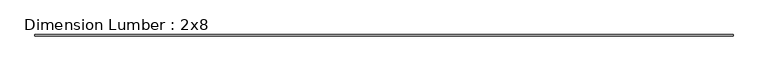
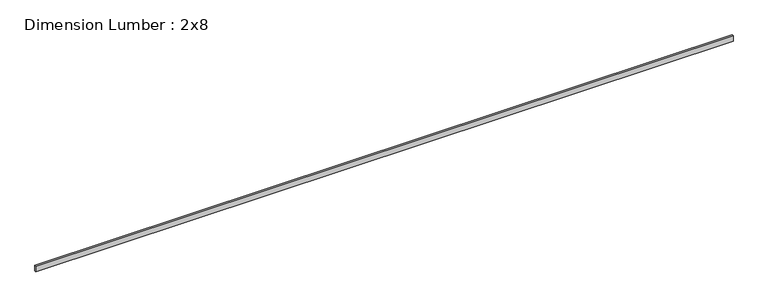
"""IFC4 building model written with IfcOpenShell, lengths in millimetres: beam geometry, Dimension Lumber : 2x8."""

from ifc_helpers import new_model, si_unit, frame, origin, place, context, project, spatial, polyline, outline, extrude, source, transform, mapped, element, save


def dimension_lumber_2x8_2d1bb7cd(model_context):
    return source(origin(), model_context, "Body", "SweptSolid", [
        extrude(outline(polyline([(10841.1294393, 19.05), (10841.1294393, -19.05), (-10841.1294393, -19.05), (-10841.1294393, 19.05), (10841.1294393, 19.05)])), frame((0.0, 0.0, -92.075), z_axis=(0.0, 0.0, 1.0), x_axis=(1.0, 0.0, 0.0)), (0.0, 0.0, 1.0), 184.15),
    ])


if __name__ == "__main__":
    model = new_model("IFC4")
    model_context = context("Model", 3, world=origin())
    ifc_project = project(units=[si_unit("LENGTHUNIT", "METRE", prefix="MILLI")], contexts=[model_context])
    site = spatial("IfcSite", under=ifc_project)
    building = spatial("IfcBuilding", under=site)
    placement = place(None, origin())
    dimension_lumber_2x8_shape = dimension_lumber_2x8_2d1bb7cd(model_context)
    element("IfcBeam", 1, ObjectType="Dimension Lumber : 2x8", at=placement, inside=building, context=model_context, shape_type="MappedRepresentation", body=[
        mapped(dimension_lumber_2x8_shape, transform((0.0, 0.0, 0.0), x_axis=(1.0, 0.0, 0.0), y_axis=(0.0, 1.0, 0.0), z_axis=(0.0, 0.0, 1.0))),
    ])
    save(model, "model.ifc")
